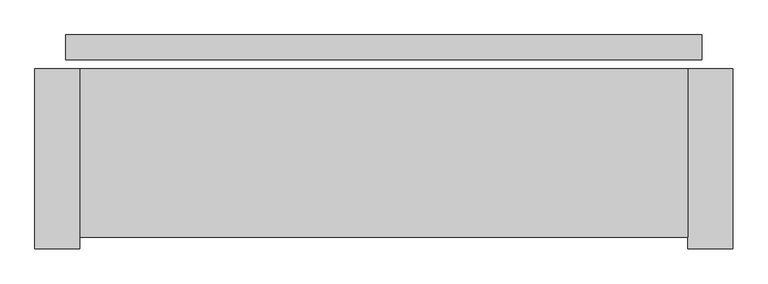
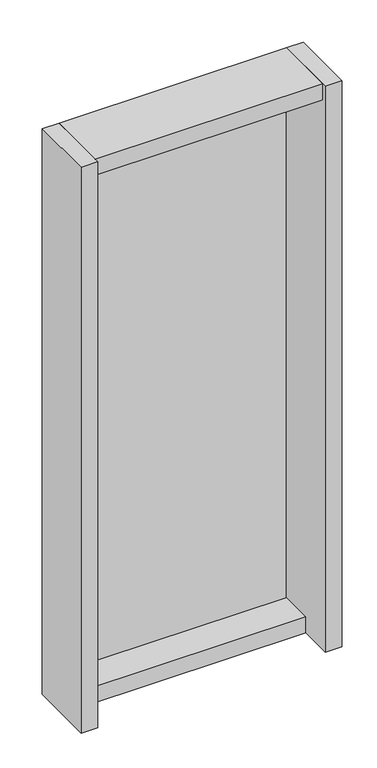
"""IFC4 building model written with IfcOpenShell, lengths in millimetres: plate geometry."""

from ifc_helpers import new_model, si_unit, frame, origin, origin_with_axes, place, context, project, spatial, polyline, outline, extrude, source, transform, mapped, element, save


def plate_d382ce13(model_context):
    return source(origin(), model_context, "Body", "SweptSolid", [
        extrude(outline(polyline([(566.0, 0.0), (566.0, -44.0), (-566.0, -44.0), (-566.0, 0.0), (566.0, 0.0)])), origin_with_axes(), (0.0, 0.0, 1.0), 2732.0),
        extrude(outline(polyline([(-541.0, -60.0), (-541.0, -380.0), (-621.0, -380.0), (-621.0, -60.0), (-541.0, -60.0)])), frame((0.0, 0.0, -55.0), z_axis=(0.0, 0.0, 1.0), x_axis=(1.0, 0.0, 0.0)), (0.0, 0.0, 1.0), 2842.0),
        extrude(outline(polyline([(541.0, -220.0), (-541.0, -220.0), (-541.0, -60.0), (541.0, -60.0), (541.0, -220.0)])), frame((0.0, 0.0, -55.0), z_axis=(0.0, 0.0, 1.0), x_axis=(1.0, 0.0, 0.0)), (0.0, 0.0, 1.0), 80.0),
        extrude(outline(polyline([(541.0, -60.0), (541.0, -360.0), (-541.0, -360.0), (-541.0, -60.0), (541.0, -60.0)])), frame((0.0, 0.0, 2707.0), z_axis=(0.0, 0.0, 1.0), x_axis=(1.0, 0.0, 0.0)), (0.0, 0.0, 1.0), 80.0),
        extrude(outline(polyline([(621.0, -60.0), (621.0, -380.0), (541.0, -380.0), (541.0, -60.0), (621.0, -60.0)])), frame((0.0, 0.0, -55.0), z_axis=(0.0, 0.0, 1.0), x_axis=(1.0, 0.0, 0.0)), (0.0, 0.0, 1.0), 2842.0),
    ])


if __name__ == "__main__":
    model = new_model("IFC4")
    model_context = context("Model", 3, world=origin())
    ifc_project = project(units=[si_unit("LENGTHUNIT", "METRE", prefix="MILLI")], contexts=[model_context])
    site = spatial("IfcSite", under=ifc_project)
    building = spatial("IfcBuilding", under=site)
    placement = place(None, origin())
    plate_shape = plate_d382ce13(model_context)
    element("IfcPlate", 1, at=placement, inside=building, context=model_context, shape_type="MappedRepresentation", body=[
        mapped(plate_shape, transform((0.0, 0.0, 0.0), x_axis=(1.0, 0.0, 0.0), y_axis=(0.0, 1.0, 0.0), z_axis=(0.0, 0.0, 1.0))),
    ])
    save(model, "model.ifc")
